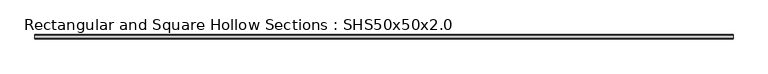
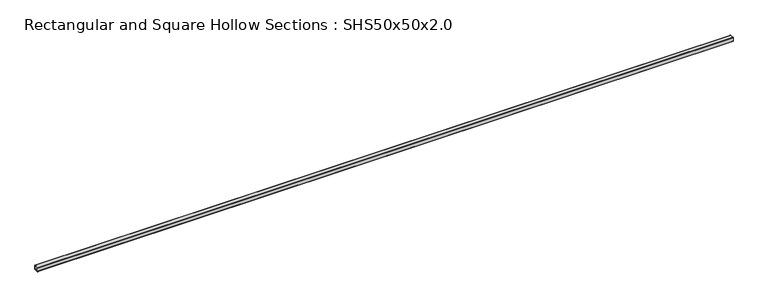
"""IFC4 building model written with IfcOpenShell, lengths in millimetres: beam geometry, Rectangular and Square Hollow Sections : SHS50x50x2.0."""

from ifc_helpers import new_model, si_unit, point, frame, frame_2d, origin, place, context, project, spatial, polyline, circle_curve, trimmed, segment, composite_curve, outline, extrude, source, transform, mapped, element, save


def rectangular_and_square_hollow_sections_shs50x50x2_0_a81845b6(model_context):
    return source(origin(), model_context, "Body", "SweptSolid", [
        extrude(outline(composite_curve([segment(polyline([(25.0, 21.0), (25.0, -21.0)]), True, "CONTINUOUS"), segment(trimmed(circle_curve(frame_2d((21.0, -21.0)), 4.0), [point((25.0, -21.0))], [point((21.0, -25.0))], False, "CARTESIAN"), True, "CONTINUOUS"), segment(polyline([(21.0, -25.0), (-21.0, -25.0)]), True, "CONTINUOUS"), segment(trimmed(circle_curve(frame_2d((-21.0, -21.0)), 4.0), [point((-21.0, -25.0))], [point((-25.0, -21.0))], False, "CARTESIAN"), True, "CONTINUOUS"), segment(polyline([(-25.0, -21.0), (-25.0, 21.0)]), True, "CONTINUOUS"), segment(trimmed(circle_curve(frame_2d((-21.0, 21.0)), 4.0), [point((-25.0, 21.0))], [point((-21.0, 25.0))], False, "CARTESIAN"), True, "CONTINUOUS"), segment(polyline([(-21.0, 25.0), (21.0, 25.0)]), True, "CONTINUOUS"), segment(trimmed(circle_curve(frame_2d((21.0, 21.0)), 4.0), [point((21.0, 25.0))], [point((25.0, 21.0))], False, "CARTESIAN"), True, "CONTINUOUS")], self_intersect=False), holes=[composite_curve([segment(trimmed(circle_curve(frame_2d((-21.0, 21.0)), 2.0), [point((-21.0, 23.0))], [point((-23.0, 21.0))], True, "CARTESIAN"), True, "CONTINUOUS"), segment(polyline([(-23.0, 21.0), (-23.0, -21.0)]), True, "CONTINUOUS"), segment(trimmed(circle_curve(frame_2d((-21.0, -21.0)), 2.0), [point((-23.0, -21.0))], [point((-21.0, -23.0))], True, "CARTESIAN"), True, "CONTINUOUS"), segment(polyline([(-21.0, -23.0), (21.0, -23.0)]), True, "CONTINUOUS"), segment(trimmed(circle_curve(frame_2d((21.0, -21.0)), 2.0), [point((21.0, -23.0))], [point((23.0, -21.0))], True, "CARTESIAN"), True, "CONTINUOUS"), segment(polyline([(23.0, -21.0), (23.0, 21.0)]), True, "CONTINUOUS"), segment(trimmed(circle_curve(frame_2d((21.0, 21.0)), 2.0), [point((23.0, 21.0))], [point((21.0, 23.0))], True, "CARTESIAN"), True, "CONTINUOUS"), segment(polyline([(21.0, 23.0), (-21.0, 23.0)]), True, "CONTINUOUS")], self_intersect=False)]), frame((-4099.5, 0.0, 0.0), z_axis=(1.0, 0.0, 0.0), x_axis=(0.0, 1.0, 0.0)), (0.0, 0.0, 1.0), 8199.0),
    ])


if __name__ == "__main__":
    model = new_model("IFC4")
    model_context = context("Model", 3, world=origin())
    ifc_project = project(units=[si_unit("LENGTHUNIT", "METRE", prefix="MILLI")], contexts=[model_context])
    site = spatial("IfcSite", under=ifc_project)
    building = spatial("IfcBuilding", under=site)
    placement = place(None, origin())
    rectangular_and_square_hollow_sections_shs50x50x2_0_shape = rectangular_and_square_hollow_sections_shs50x50x2_0_a81845b6(model_context)
    element("IfcBeam", 1, ObjectType="Rectangular and Square Hollow Sections : SHS50x50x2.0", at=placement, inside=building, context=model_context, shape_type="MappedRepresentation", body=[
        mapped(rectangular_and_square_hollow_sections_shs50x50x2_0_shape, transform((0.0, 0.0, 0.0), x_axis=(1.0, 0.0, 0.0), y_axis=(0.0, 1.0, 0.0), z_axis=(0.0, 0.0, 1.0))),
    ])
    save(model, "model.ifc")
